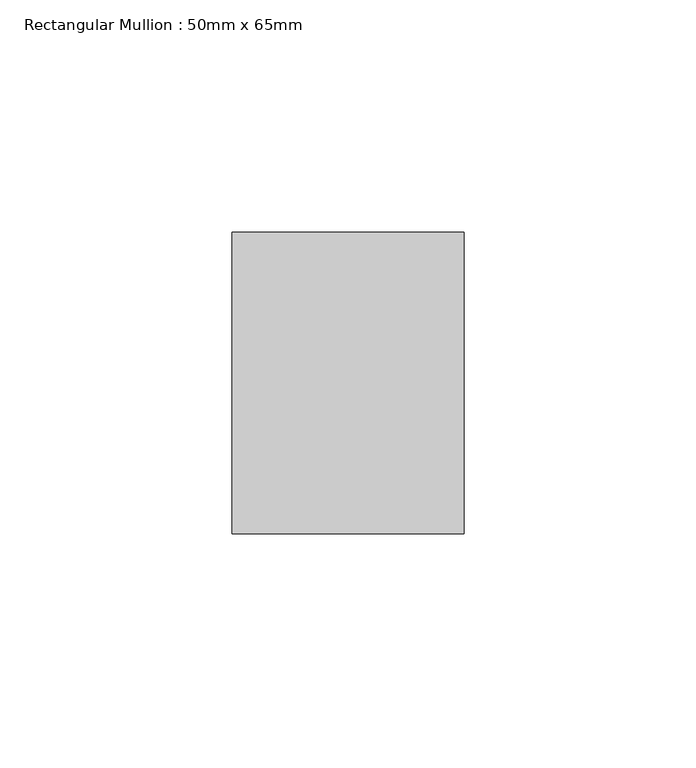
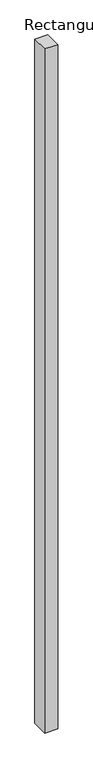
"""IFC4 building model written with IfcOpenShell, lengths in millimetres: member geometry, Rectangular Mullion : 50mm x 65mm."""

from ifc_helpers import new_model, si_unit, frame, origin, place, context, project, spatial, polyline, outline, extrude, source, transform, mapped, element, save


def rectangular_mullion_50mm_x_65mm_e4d33ddf(model_context):
    return source(origin(), model_context, "Body", "SweptSolid", [
        extrude(outline(polyline([(25.0, 32.5), (25.0, -32.5), (-25.0, -32.5), (-25.0, 32.5), (25.0, 32.5)])), frame((0.0, 0.0, -2773.8907131), z_axis=(0.0, 0.0, 1.0), x_axis=(1.0, 0.0, 0.0)), (0.0, 0.0, 1.0), 2773.8907131),
    ])


if __name__ == "__main__":
    model = new_model("IFC4")
    model_context = context("Model", 3, world=origin())
    ifc_project = project(units=[si_unit("LENGTHUNIT", "METRE", prefix="MILLI")], contexts=[model_context])
    site = spatial("IfcSite", under=ifc_project)
    building = spatial("IfcBuilding", under=site)
    placement = place(None, origin())
    rectangular_mullion_50mm_x_65mm_shape = rectangular_mullion_50mm_x_65mm_e4d33ddf(model_context)
    element("IfcMember", 1, ObjectType="Rectangular Mullion : 50mm x 65mm", at=placement, inside=building, context=model_context, shape_type="MappedRepresentation", body=[
        mapped(rectangular_mullion_50mm_x_65mm_shape, transform((0.0, 0.0, 0.0), x_axis=(1.0, 0.0, 0.0), y_axis=(0.0, 1.0, 0.0), z_axis=(0.0, 0.0, 1.0))),
    ])
    save(model, "model.ifc")
